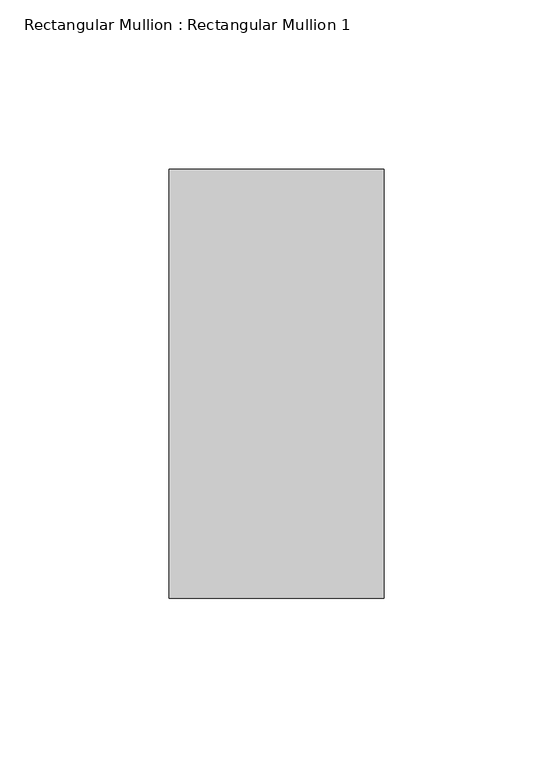
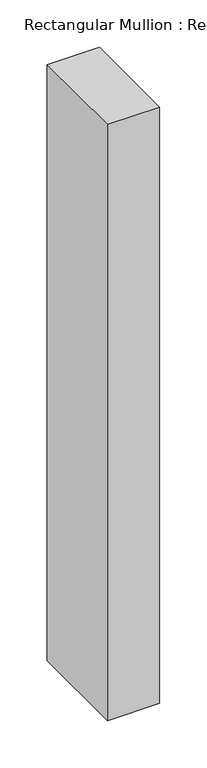
"""IFC4 building model written with IfcOpenShell, lengths in millimetres: member geometry, Rectangular Mullion : Rectangular Mullion 1."""

from ifc_helpers import new_model, si_unit, frame, origin, place, context, project, spatial, polyline, outline, extrude, source, transform, mapped, element, save


def rectangular_mullion_rectangular_mullion_1_36afcfe1(model_context):
    return source(origin(), model_context, "Body", "SweptSolid", [
        extrude(outline(polyline([(0.0, 188.5), (0.0, 61.5), (-63.6, 61.5), (-63.6, 188.5), (0.0, 188.5)])), frame((0.0, 0.0, -768.2), z_axis=(0.0, 0.0, 1.0), x_axis=(1.0, 0.0, 0.0)), (0.0, 0.0, 1.0), 768.2),
    ])


if __name__ == "__main__":
    model = new_model("IFC4")
    model_context = context("Model", 3, world=origin())
    ifc_project = project(units=[si_unit("LENGTHUNIT", "METRE", prefix="MILLI")], contexts=[model_context])
    site = spatial("IfcSite", under=ifc_project)
    building = spatial("IfcBuilding", under=site)
    placement = place(None, origin())
    rectangular_mullion_rectangular_mullion_1_shape = rectangular_mullion_rectangular_mullion_1_36afcfe1(model_context)
    element("IfcMember", 1, ObjectType="Rectangular Mullion : Rectangular Mullion 1", at=placement, inside=building, context=model_context, shape_type="MappedRepresentation", body=[
        mapped(rectangular_mullion_rectangular_mullion_1_shape, transform((0.0, 0.0, 0.0), x_axis=(1.0, 0.0, 0.0), y_axis=(0.0, 1.0, 0.0), z_axis=(0.0, 0.0, 1.0))),
    ])
    save(model, "model.ifc")
